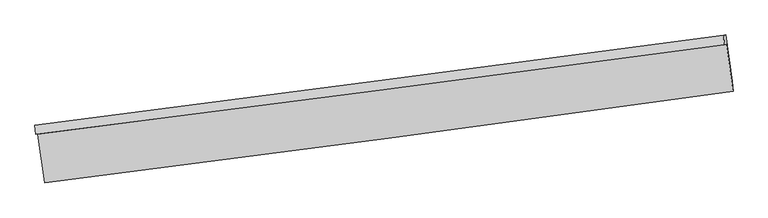
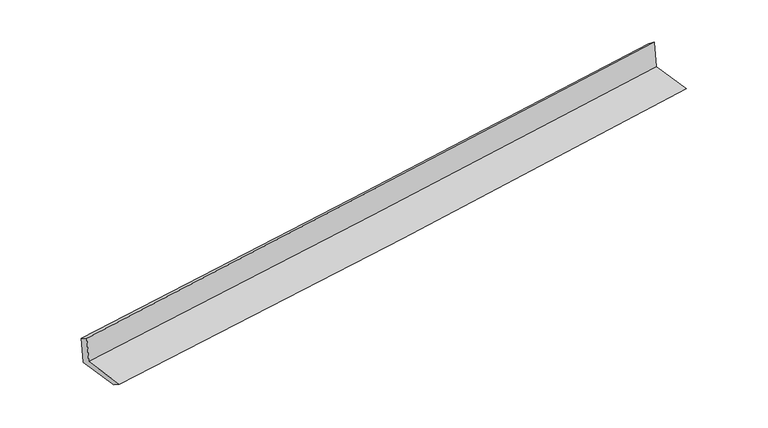
"""IFC4 building model written with IfcOpenShell, lengths in millimetres: proxy geometry."""

from ifc_helpers import new_model, si_unit, frame, origin, place, context, project, spatial, source, transform, mapped, element, save
from ifc_brep_helpers import plane_surface, spline_curve, spline_surface, advanced_brep


def generic_models_20376e1b(model_context):
    return source(origin(), model_context, "Body", "AdvancedBrep", [
        advanced_brep(
        [(-4756.6896692, -2113.0536569, 1895.0937909), (-4726.8068086, -2109.2070799, 1505.6216391), (4692.2520234, -880.2430588, 2250.4812732), (4660.8392027, -884.286575, 2659.8938472), (-4768.3171477, -1984.7128304, 1820.7302133), (4650.7416843, -755.7488092, 2565.5898475), (-4737.1510977, -1980.7010789, 1414.5338749), (4681.9077343, -751.7370578, 2159.393509), (-4648.3859493, -2634.3928591, 1414.8884081), (4767.9817701, -1385.6107201, 2159.7372937), (-4636.7937038, -2772.0891659, 1505.9811567), (4779.5740156, -1523.3070269, 2250.8300424)],
        [
            (0, 1),
            (1, 2, spline_curve(3, [(-4726.8068086, -2109.2070799, 1505.6216391), (-3160.202975636, -1908.203268399, 1619.481700099), (-1594.196529746, -1705.581772284, 1738.293871647), (1545.496539952, -1295.945492784, 1986.52410586), (3119.176371858, -1088.912315457, 2115.998479154), (4692.2520234, -880.2430588, 2250.4812732)], [4, 2, 4], [0.0, 15.58590714426019, 31.260177268379778])),
            (2, 3),
            (3, 0, spline_curve(3, [(4660.8392027, -884.286575, 2659.8938472), (3087.506387588, -1092.988934671, 2528.762746076), (1513.826555682, -1300.022112098, 2399.288372783), (-1625.353636623, -1709.592372187, 2144.373647739), (-3190.850095349, -1912.148222086, 2018.914669038), (-4756.6896692, -2113.0536569, 1895.0937909)], [4, 2, 4], [0.0, 15.674270124119587, 31.260177268379778])),
            (4, 0),
            (3, 5),
            (5, 4, spline_curve(3, [(4650.7416843, -755.7488092, 2565.5898475), (3077.154600558, -964.483898767, 2437.77270261), (1503.219775327, -1171.549899075, 2311.621733007), (-1636.47041147, -1581.185807243, 2063.353921519), (-3202.221863942, -1783.774480056, 1941.218346061), (-4768.3171477, -1984.7128304, 1820.7302133)], [4, 2, 4], [0.0, 15.674236338824398, 31.260109888252455])),
            (6, 4),
            (5, 7),
            (7, 6, spline_curve(3, [(4681.9077343, -751.7370578, 2159.393509), (3107.809218137, -960.537979552, 2038.242013283), (1533.619399516, -1167.636803265, 1915.414447663), (-1606.067904009, -1577.272340501, 1667.109058284), (-3171.564363232, -1779.828190155, 1541.650079695), (-4737.1510977, -1980.7010789, 1414.5338749)], [4, 2, 4], [0.0, 15.674202010750028, 31.26004142562666])),
            (8, 6),
            (7, 9),
            (9, 8, spline_curve(3, [(4767.9817701, -1385.6107201, 2159.7372937), (3195.230078242, -1604.330037441, 2038.591177393), (1621.937297086, -1818.034900909, 1915.76719432), (-1516.858026135, -2234.239235272, 1667.465367956), (-3082.354485181, -2436.795085528, 1542.006389336), (-4648.3859493, -2634.3928591, 1414.8884081)], [4, 2, 4], [0.0, 15.674166991505809, 31.259971584557604])),
            (10, 8),
            (9, 11),
            (11, 10, spline_curve(3, [(4779.5740156, -1523.3070269, 2250.8300424), (3207.845188307, -1741.894679314, 2116.35262772), (1635.062393972, -1955.533895793, 1986.881837331), (-1503.738695521, -2371.738973288, 1738.655165307), (-3069.745141079, -2574.360469559, 1619.842993897), (-4636.7937038, -2772.0891659, 1505.9811567)], [4, 2, 4], [0.0, 15.674141452463251, 31.259920650447675])),
            (1, 10),
            (11, 2),
        ],
        [
            spline_surface(3, 3, [[(-4756.6896692, -2113.0536569, 1895.0937909), (-3190.850095419, -1912.148222262, 2018.914668873), (-1625.353636563, -1709.592372366, 2144.373647607), (1513.826555621, -1300.022111917, 2399.288372916), (3087.506387397, -1092.988934466, 2528.762746264), (4660.8392027, -884.286575, 2659.8938472)], [(-4746.72871568, -2111.771464576, 1765.269740294), (-3180.634388811, -1910.83323765, 1885.770345985), (-1614.967934387, -1708.255505611, 2009.013722254), (1524.38321714, -1298.66323896, 2261.700283928), (3098.063048916, -1091.630061509, 2391.174657276), (4671.310142923, -882.938736246, 2523.422989199)], [(-4736.76776212, -2110.489272224, 1635.445689706), (-3170.418682162, -1909.518253011, 1752.626023115), (-1604.582232179, -1706.918638818, 1873.653796905), (1534.939878692, -1297.304365964, 2124.112194943), (3108.619710467, -1090.271188613, 2253.586568291), (4681.781083177, -881.590897554, 2386.952131201)], [(-4726.8068086, -2109.2070799, 1505.6216391), (-3160.202975554, -1908.203268399, 1619.481700228), (-1594.196530003, -1705.581772063, 1738.293871552), (1545.496540211, -1295.945493006, 1986.524105955), (3119.176371986, -1088.912315655, 2115.998479303), (4692.2520234, -880.2430588, 2250.4812732)]], [4, 4], [4, 2, 4], [0.0, 1.3473233604706194], [0.0, 15.58590714426019, 31.260177268379778]),
            spline_surface(3, 3, [[(-4768.3171477, -1984.7128304, 1820.7302133), (-3202.221863843, -1783.774480289, 1941.218346287), (-1636.47041159, -1581.185807123, 2063.353921416), (1503.219775448, -1171.549899195, 2311.621733111), (3077.15460052, -964.483898574, 2437.772702754), (4650.7416843, -755.7488092, 2565.5898475)], [(-4764.441321538, -2027.4931059, 1845.518072492), (-3198.431274373, -1826.565727613, 1967.117120474), (-1632.764819904, -1623.987995519, 2090.360496836), (1506.755368849, -1214.373970083, 2340.843946402), (3080.605196138, -1007.318910534, 2468.102717278), (4654.107523759, -798.594731129, 2597.024514088)], [(-4760.565495362, -2070.2733814, 1870.305931708), (-3194.640684889, -1869.356974938, 1993.015894686), (-1629.059228249, -1666.790183971, 2117.367072187), (1510.29096222, -1257.198041028, 2370.066159625), (3084.055791779, -1050.153922506, 2498.43273174), (4657.473363241, -841.440653071, 2628.459180612)], [(-4756.6896692, -2113.0536569, 1895.0937909), (-3190.850095419, -1912.148222262, 2018.914668873), (-1625.353636563, -1709.592372366, 2144.373647607), (1513.826555621, -1300.022111917, 2399.288372916), (3087.506387397, -1092.988934466, 2528.762746264), (4660.8392027, -884.286575, 2659.8938472)]], [4, 4], [4, 2, 4], [0.0, 0.5054156321791963], [0.0, 15.585873549428056, 31.260109888252455]),
            spline_surface(3, 3, [[(-4737.1510977, -1980.7010789, 1414.5338749), (-3171.564363033, -1779.82819018, 1541.650079746), (-1606.067904176, -1577.272340284, 1667.10905848), (1533.619399684, -1167.636803483, 1915.414447466), (3107.809218154, -960.537979692, 2038.242013405), (4681.9077343, -751.7370578, 2159.393509)], [(-4747.53978102, -1982.038329393, 1549.932654379), (-3181.783529956, -1781.14362021, 1674.839501939), (-1616.202073316, -1578.576829242, 1799.19067944), (1523.486191604, -1168.941168732, 2047.483542662), (3097.59101229, -961.853286012, 2171.418909834), (4671.51905098, -753.074308293, 2294.792288479)], [(-4757.92846438, -1983.375579907, 1685.331433821), (-3192.00269692, -1782.459050259, 1808.028924094), (-1626.33624245, -1579.881318165, 1931.272300456), (1513.352983528, -1170.245533946, 2179.552637915), (3087.372806384, -963.168592253, 2304.595806325), (4661.13036762, -754.411558707, 2430.191068021)], [(-4768.3171477, -1984.7128304, 1820.7302133), (-3202.221863843, -1783.774480289, 1941.218346287), (-1636.47041159, -1581.185807123, 2063.353921416), (1503.219775448, -1171.549899195, 2311.621733111), (3077.15460052, -964.483898574, 2437.772702754), (4650.7416843, -755.7488092, 2565.5898475)]], [4, 4], [4, 2, 4], [0.0, 1.3038382161618378], [0.0, 15.585839414876633, 31.26004142562666]),
            spline_surface(3, 3, [[(-4648.3859493, -2634.3928591, 1414.8884081), (-3082.35448505, -2436.795085416, 1542.006389222), (-1516.858026194, -2234.23923552, 1667.465367956), (1621.937297145, -1818.03490066, 1915.76719432), (3195.230078073, -1604.330037575, 2038.591177399), (4767.9817701, -1385.6107201, 2159.7372937)], [(-4677.974332112, -2416.495599019, 1414.77023037), (-3112.091111056, -2217.806120323, 1541.8876194), (-1546.5946522, -2015.250270427, 1667.346598134), (1592.49799798, -1601.23553492, 1915.649612039), (3166.089791417, -1389.732684937, 2038.474789392), (4739.290424817, -1174.319499323, 2159.62269879)], [(-4707.562714888, -2198.598338981, 1414.65205263), (-3141.827737027, -1998.817155273, 1541.768849568), (-1576.33127817, -1796.261305377, 1667.227828302), (1563.05869885, -1384.436169223, 1915.532029748), (3136.94950481, -1175.13533233, 2038.358401413), (4710.599079583, -963.028278577, 2159.50810391)], [(-4737.1510977, -1980.7010789, 1414.5338749), (-3171.564363033, -1779.82819018, 1541.650079746), (-1606.067904176, -1577.272340284, 1667.10905848), (1533.619399684, -1167.636803483, 1915.414447466), (3107.809218154, -960.537979692, 2038.242013405), (4681.9077343, -751.7370578, 2159.393509)]], [4, 4], [4, 2, 4], [0.0, 2.16424833521853], [0.0, 15.585804593051796, 31.259971584557604]),
            spline_surface(3, 3, [[(-4636.7937038, -2772.0891659, 1505.9811567), (-3069.745141171, -2574.360469435, 1619.842994103), (-1503.738695621, -2371.738973099, 1738.655165428), (1635.062394072, -1955.533895983, 1986.881837209), (3207.845188305, -1741.894679339, 2116.352627797), (4779.5740156, -1523.3070269, 2250.8300424)], [(-4640.657785637, -2726.190396969, 1475.616907164), (-3073.948255801, -2528.505341431, 1593.897459141), (-1508.111805819, -2325.905727238, 1714.925232931), (1630.687361756, -1909.700897541, 1963.176956239), (3203.640151558, -1696.039798753, 2090.432144362), (4775.709933763, -1477.408257969, 2220.465792864)], [(-4644.521867463, -2680.291628031, 1445.252657636), (-3078.15137042, -2482.65021342, 1567.951924185), (-1512.484915997, -2280.072481381, 1691.195300454), (1626.312329461, -1863.867899102, 1939.47207529), (3199.435114821, -1650.184918161, 2064.511660834), (4771.845851937, -1431.509489031, 2190.101543236)], [(-4648.3859493, -2634.3928591, 1414.8884081), (-3082.35448505, -2436.795085416, 1542.006389222), (-1516.858026194, -2234.23923552, 1667.465367956), (1621.937297145, -1818.03490066, 1915.76719432), (3195.230078073, -1604.330037575, 2038.591177399), (4767.9817701, -1385.6107201, 2159.7372937)]], [4, 4], [4, 2, 4], [0.0, 0.5097553093839732], [0.0, 15.585779197984424, 31.259920650447675]),
            spline_surface(3, 3, [[(-4726.8068086, -2109.2070799, 1505.6216391), (-3160.202975554, -1908.203268399, 1619.481700228), (-1594.196530003, -1705.581772063, 1738.293871552), (1545.496540211, -1295.945493006, 1986.524105955), (3119.176371986, -1088.912315655, 2115.998479303), (4692.2520234, -880.2430588, 2250.4812732)], [(-4696.802440313, -2330.167775243, 1505.7414783), (-3130.050364072, -2130.255668754, 1619.60213152), (-1564.043918522, -1927.634172418, 1738.414302845), (1575.351824851, -1515.808294008, 1986.643349707), (3148.732644117, -1306.573103556, 2116.116528781), (4721.359354158, -1094.59771484, 2250.59752958)], [(-4666.798072087, -2551.128470557, 1505.8613175), (-3099.897752652, -2352.30806908, 1619.722562811), (-1533.891307102, -2149.686572744, 1738.534734136), (1605.207109431, -1735.671094981, 1986.762593457), (3178.288916174, -1524.233891438, 2116.234578319), (4750.466684842, -1308.95237086, 2250.71378602)], [(-4636.7937038, -2772.0891659, 1505.9811567), (-3069.745141171, -2574.360469435, 1619.842994103), (-1503.738695621, -2371.738973099, 1738.655165428), (1635.062394072, -1955.533895983, 1986.881837209), (3207.845188305, -1741.894679339, 2116.352627797), (4779.5740156, -1523.3070269, 2250.8300424)]], [4, 4], [4, 2, 4], [0.0, 2.1946769783497504], [0.0, 15.58586477990363, 31.260092299485528]),
            plane_surface(frame((4705.5494051, -1030.1555413, 2340.9876355), z_axis=(0.9879488032135183, 0.13419591464886543, 0.07712728907806614), x_axis=(-0.13455562936619286, 0.9909058955230494, -0.0005374230469163634))),
            plane_surface(frame((-4712.3573961, -2265.6927785, 1592.8081805), z_axis=(-0.9879488032135154, -0.13419591464887298, -0.07712728907808779), x_axis=(-0.07649800543052268, -0.009846964467185094, 0.9970211093331643))),
        ],
        [
            (0, [[1, 2, 3, 4]]),
            (1, [[5, -4, 6, 7]]),
            (2, [[8, -7, 9, 10]]),
            (3, [[11, -10, 12, 13]]),
            (4, [[14, -13, 15, 16]]),
            (5, [[17, -16, 18, -2]]),
            (6, [[-12, -9, -6, -3, -18, -15]]),
            (7, [[-1, -5, -8, -11, -14, -17]]),
        ],
    ),
    ])


if __name__ == "__main__":
    model = new_model("IFC4")
    model_context = context("Model", 3, world=origin())
    ifc_project = project(units=[si_unit("LENGTHUNIT", "METRE", prefix="MILLI")], contexts=[model_context])
    site = spatial("IfcSite", under=ifc_project)
    building = spatial("IfcBuilding", under=site)
    placement = place(None, origin())
    generic_models_shape = generic_models_20376e1b(model_context)
    element("IfcBuildingElementProxy", 1, Name="Generic Models", at=placement, inside=building, context=model_context, shape_type="MappedRepresentation", body=[
        mapped(generic_models_shape, transform((0.0, 0.0, 0.0), x_axis=(1.0, 0.0, 0.0), y_axis=(0.0, 1.0, 0.0), z_axis=(0.0, 0.0, 1.0))),
    ])
    save(model, "model.ifc")
